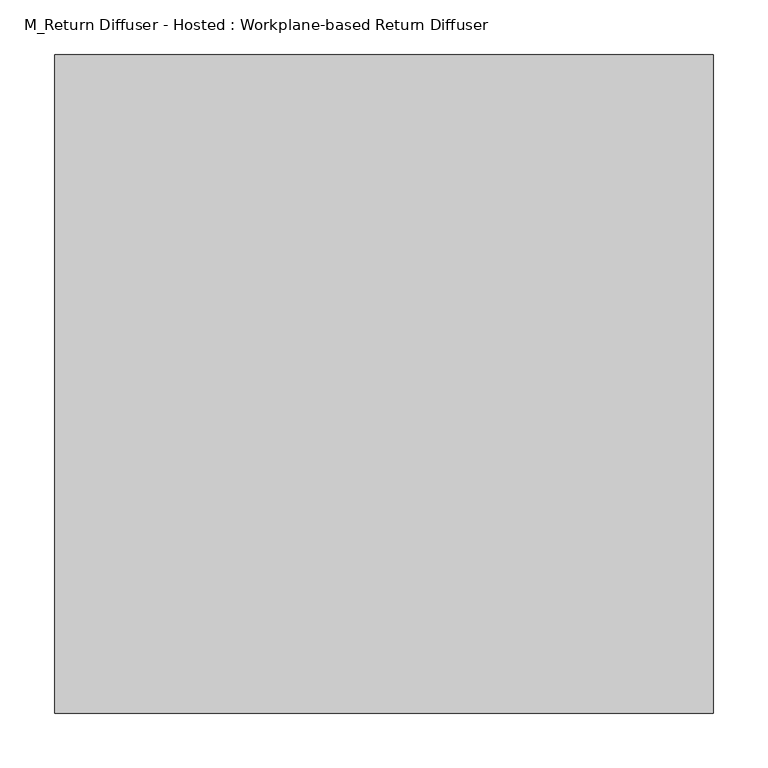
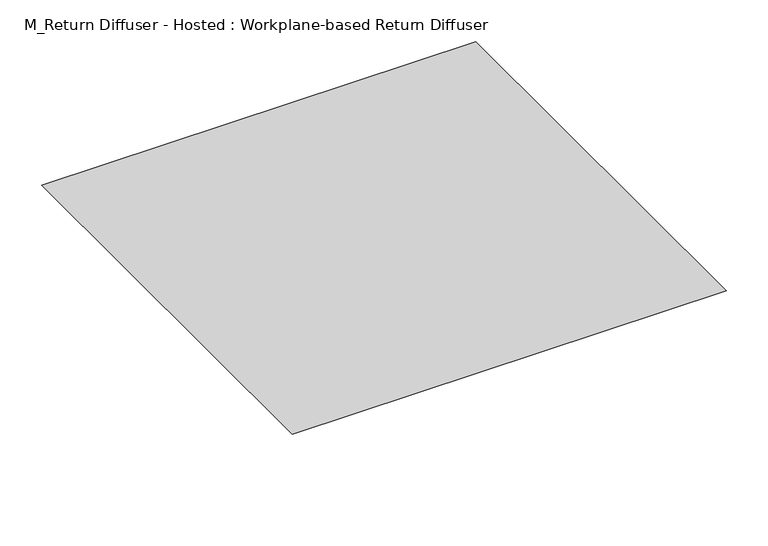
"""IFC4 building model written with IfcOpenShell, lengths in millimetres: air terminal geometry, M_Return Diffuser - Hosted : Workplane-based Return Diffuser."""

from ifc_helpers import new_model, si_unit, origin, place, context, project, spatial, faceted_brep, source, transform, mapped, element, save


def m_return_diffuser_hosted_workplane_based_return_diffuser_735a5a32(model_context):
    return source(origin(), model_context, "Body", "Brep", [
        faceted_brep([(300.0, 300.0, 0.0), (-300.0, 300.0, 0.0), (-300.0, -300.0, 0.0), (300.0, -300.0, 0.0), (150.0, 150.0, -101.8523776), (150.0, -150.0, -101.8523776), (-150.0, -150.0, -101.8523776), (-150.0, 150.0, -101.8523776)], [[[0, 1, 2, 3]], [[4, 5, 6, 7]], [[4, 7, 1, 0]], [[7, 6, 2, 1]], [[6, 5, 3, 2]], [[5, 4, 0, 3]]]),
    ])


if __name__ == "__main__":
    model = new_model("IFC4")
    model_context = context("Model", 3, world=origin())
    ifc_project = project(units=[si_unit("LENGTHUNIT", "METRE", prefix="MILLI")], contexts=[model_context])
    site = spatial("IfcSite", under=ifc_project)
    building = spatial("IfcBuilding", under=site)
    placement = place(None, origin())
    m_return_diffuser_hosted_workplane_based_return_diffuser_shape = m_return_diffuser_hosted_workplane_based_return_diffuser_735a5a32(model_context)
    element("IfcAirTerminal", 1, ObjectType="M_Return Diffuser - Hosted : Workplane-based Return Diffuser", at=placement, inside=building, context=model_context, shape_type="MappedRepresentation", body=[
        mapped(m_return_diffuser_hosted_workplane_based_return_diffuser_shape, transform((0.0, 0.0, 0.0), x_axis=(1.0, 0.0, 0.0), y_axis=(0.0, 1.0, 0.0), z_axis=(0.0, 0.0, 1.0))),
    ])
    save(model, "model.ifc")
